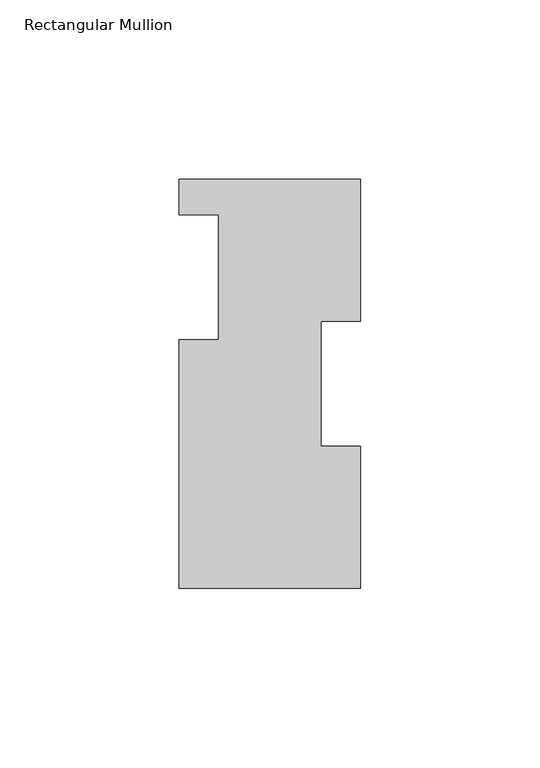
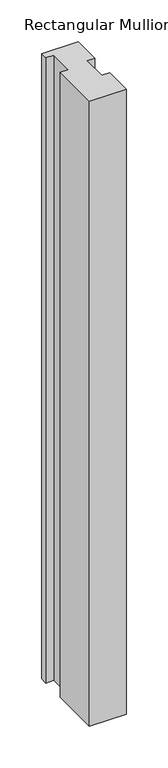
"""IFC4 building model written with IfcOpenShell, lengths in millimetres: member geometry, Rectangular Mullion."""

from ifc_helpers import new_model, si_unit, frame, origin, place, context, project, spatial, polyline, outline, extrude, source, transform, mapped, element, save


def rectangular_mullion_e73d4d5c(model_context):
    return source(origin(), model_context, "Body", "SweptSolid", [
        extrude(outline(polyline([(-25.4, 114.0729875), (25.4, 114.0729875), (25.4, 74.3981875), (14.2875, 74.3981875), (14.2875, 39.4477875), (25.4, 39.4477875), (25.4, -0.2270125), (-25.4, -0.2270125), (-25.4, 69.2419875), (-14.2875, 69.2419875), (-14.2875, 104.1669875), (-25.4, 104.1669875), (-25.4, 114.0729875)])), frame((0.0, 0.0, -914.4), z_axis=(0.0, 0.0, 1.0), x_axis=(1.0, 0.0, 0.0)), (0.0, 0.0, 1.0), 914.4),
    ])


if __name__ == "__main__":
    model = new_model("IFC4")
    model_context = context("Model", 3, world=origin())
    ifc_project = project(units=[si_unit("LENGTHUNIT", "METRE", prefix="MILLI")], contexts=[model_context])
    site = spatial("IfcSite", under=ifc_project)
    building = spatial("IfcBuilding", under=site)
    placement = place(None, origin())
    rectangular_mullion_shape = rectangular_mullion_e73d4d5c(model_context)
    element("IfcMember", 1, ObjectType="Rectangular Mullion", at=placement, inside=building, context=model_context, shape_type="MappedRepresentation", body=[
        mapped(rectangular_mullion_shape, transform((0.0, 0.0, 0.0), x_axis=(1.0, 0.0, 0.0), y_axis=(0.0, 1.0, 0.0), z_axis=(0.0, 0.0, 1.0))),
    ])
    save(model, "model.ifc")
